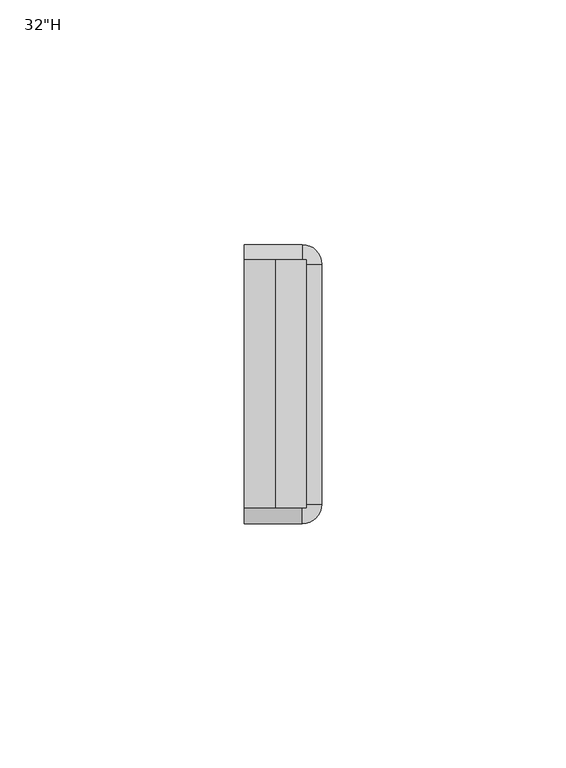
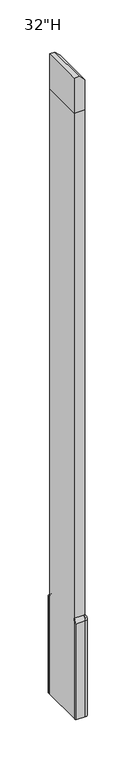
"""IFC4 building model written with IfcOpenShell, lengths in millimetres: furniture geometry."""

from ifc_helpers import new_model, si_unit, point, frame, origin, place, context, project, spatial, polyline, circle_curve, ellipse_curve, trimmed, outline, extrude, source, transform, mapped, element, save
from ifc_brep_helpers import plane_surface, cylinder_surface, revolved_surface, advanced_brep


def furniture_2e6d19cc(model_context):
    return source(origin(), model_context, "Body", "SolidModel", [
        advanced_brep(
        [(1984.8560512, -2420.1637877, 130.97002), (1984.8560512, -2420.1637877, 9.525), (1984.8560512, -2421.7512877, 9.525), (1984.8560512, -2421.7512877, 130.97002), (1984.8560512, -2423.3387877, 134.5628942), (1984.8560512, -2423.3387877, 136.525), (1996.7623012, -2420.1637877, 130.97002), (1996.7623012, -2420.1637877, 9.525), (2000.7310512, -2424.1325377, 9.525), (2000.7310512, -2473.3356635, 9.525), (1996.752927, -2477.3137877, 9.525), (1984.8560512, -2477.3137877, 9.525), (1984.8560512, -2475.7262877, 9.525), (1996.752927, -2475.7262877, 9.525), (1999.1435512, -2473.3356635, 9.525), (1999.1435512, -2424.1325377, 9.525), (1996.7623012, -2421.7512877, 9.525), (1996.7623012, -2421.7512877, 130.97002), (1996.7623012, -2423.3387877, 134.5628942), (1996.7623012, -2423.3387877, 136.525), (2000.7310512, -2424.1325377, 130.97002), (1999.1435512, -2424.1325377, 130.97002), (1997.5560512, -2424.1325377, 134.5628942), (1997.5560512, -2424.1325377, 136.525), (2000.7310512, -2473.3356635, 130.97002), (1999.1435512, -2473.3356635, 130.97002), (1997.5560512, -2473.3356635, 134.5628942), (1997.5560512, -2473.3356635, 136.525), (1996.752927, -2477.3137877, 130.97002), (1996.752927, -2475.7262877, 130.97002), (1996.752927, -2474.1387877, 134.5628942), (1996.752927, -2474.1387877, 136.525), (1984.8560512, -2477.3137877, 130.97002), (1984.8560512, -2474.1387877, 136.525), (1984.8560512, -2474.1387877, 134.5628942), (1984.8560512, -2475.7262877, 130.97002)],
        [
            (0, 1),
            (1, 2),
            (2, 3),
            (3, 4, circle_curve(frame((1984.8560512, -2426.6107842, 130.97002), z_axis=(1.0, 0.0, 0.0), x_axis=(0.0, 1.0, 0.0)), 4.8594965)),
            (4, 5),
            (5, 0, circle_curve(frame((1984.8560512, -2426.6107842, 130.97002), z_axis=(-1.0, 0.0, 0.0), x_axis=(0.0, 1.0, 0.0)), 6.4469965)),
            (0, 6),
            (6, 7),
            (7, 1),
            (7, 8, circle_curve(frame((1996.7623012, -2424.1325377, 9.525), z_axis=(0.0, 0.0, -1.0), x_axis=(0.0, 1.0, 0.0)), 3.96875)),
            (8, 9),
            (9, 10, circle_curve(frame((1996.752927, -2473.3356635, 9.525), z_axis=(0.0, 0.0, -1.0), x_axis=(1.0, 0.0, 0.0)), 3.9781242)),
            (10, 11),
            (11, 12),
            (12, 13),
            (13, 14, circle_curve(frame((1996.752927, -2473.3356635, 9.525), z_axis=(0.0, 0.0, 1.0), x_axis=(1.0, 0.0, 0.0)), 2.3906242)),
            (14, 15),
            (15, 16, circle_curve(frame((1996.7623012, -2424.1325377, 9.525), z_axis=(0.0, 0.0, 1.0), x_axis=(0.0, 1.0, 0.0)), 2.38125)),
            (16, 2),
            (16, 17),
            (17, 3),
            (17, 18, circle_curve(frame((1996.7623012, -2426.6107842, 130.97002), z_axis=(1.0, 0.0, 0.0), x_axis=(0.0, 1.0, 0.0)), 4.8594965)),
            (18, 4),
            (18, 19),
            (19, 5),
            (19, 6, circle_curve(frame((1996.7623012, -2426.6107842, 130.97002), z_axis=(-1.0, 0.0, 0.0), x_axis=(0.0, 1.0, 0.0)), 6.4469965)),
            (6, 20, circle_curve(frame((1996.7623012, -2424.1325377, 130.97002), z_axis=(0.0, 0.0, -1.0), x_axis=(0.0, 1.0, 0.0)), 3.96875)),
            (20, 8),
            (21, 17, circle_curve(frame((1996.7623012, -2424.1325377, 130.97002), z_axis=(0.0, 0.0, 1.0), x_axis=(0.0, 1.0, 0.0)), 2.38125)),
            (15, 21),
            (22, 18, circle_curve(frame((1996.7623012, -2424.1325377, 134.5628942), z_axis=(0.0, 0.0, 1.0), x_axis=(0.0, 1.0, 0.0)), 0.79375)),
            (21, 22, circle_curve(frame((1994.2840547, -2424.1325377, 130.97002), z_axis=(0.0, -1.0, 0.0), x_axis=(1.0, 0.0, 0.0)), 4.8594965)),
            (23, 19, circle_curve(frame((1996.7623012, -2424.1325377, 136.525), z_axis=(0.0, 0.0, 1.0), x_axis=(0.0, 1.0, 0.0)), 0.79375)),
            (22, 23),
            (23, 20, circle_curve(frame((1994.2840547, -2424.1325377, 130.97002), z_axis=(0.0, 1.0, 0.0), x_axis=(1.0, 0.0, 0.0)), 6.4469965)),
            (20, 24),
            (24, 9),
            (14, 25),
            (25, 21),
            (25, 26, circle_curve(frame((1994.2840547, -2473.3356635, 130.97002), z_axis=(0.0, -1.0, 0.0), x_axis=(1.0, 0.0, 0.0)), 4.8594965)),
            (26, 22),
            (26, 27),
            (27, 23),
            (27, 24, circle_curve(frame((1994.2840547, -2473.3356635, 130.97002), z_axis=(0.0, 1.0, 0.0), x_axis=(1.0, 0.0, 0.0)), 6.4469965)),
            (24, 28, circle_curve(frame((1996.752927, -2473.3356635, 130.97002), z_axis=(0.0, 0.0, -1.0), x_axis=(1.0, 0.0, 0.0)), 3.9781242)),
            (28, 10),
            (29, 25, circle_curve(frame((1996.752927, -2473.3356635, 130.97002), z_axis=(0.0, 0.0, 1.0), x_axis=(1.0, 0.0, 0.0)), 2.3906242)),
            (13, 29),
            (30, 26, circle_curve(frame((1996.752927, -2473.3356635, 134.5628942), z_axis=(0.0, 0.0, 1.0), x_axis=(1.0, 0.0, 0.0)), 0.8031242)),
            (29, 30, circle_curve(frame((1996.752927, -2470.8667912, 130.97002), z_axis=(-1.0, 0.0, 0.0), x_axis=(0.0, -1.0, 0.0)), 4.8594965)),
            (31, 27, circle_curve(frame((1996.752927, -2473.3356635, 136.525), z_axis=(0.0, 0.0, 1.0), x_axis=(1.0, 0.0, 0.0)), 0.8031242)),
            (30, 31),
            (31, 28, circle_curve(frame((1996.752927, -2470.8667912, 130.97002), z_axis=(1.0, 0.0, 0.0), x_axis=(0.0, -1.0, 0.0)), 6.4469965)),
            (32, 33, circle_curve(frame((1984.8560512, -2470.8667912, 130.97002), z_axis=(-1.0, 0.0, 0.0), x_axis=(0.0, -1.0, 0.0)), 6.4469965)),
            (33, 34),
            (34, 35, circle_curve(frame((1984.8560512, -2470.8667912, 130.97002), z_axis=(1.0, 0.0, 0.0), x_axis=(0.0, -1.0, 0.0)), 4.8594965)),
            (35, 12),
            (11, 32),
            (28, 32),
            (35, 29),
            (34, 30),
            (33, 31),
        ],
        [
            plane_surface(frame((1984.8560512, -2423.3387877, 0.0), z_axis=(-1.0, 0.0, 0.0), x_axis=(0.0, 0.0, 1.0))),
            plane_surface(frame((1984.8560512, -2420.1637877, 130.97002), z_axis=(0.0, 1.0, 0.0), x_axis=(1.0, 0.0, 0.0))),
            plane_surface(frame((1984.8560512, -2420.1637877, 9.525), z_axis=(0.0, 0.0, -1.0), x_axis=(1.0, 0.0, 0.0))),
            plane_surface(frame((1984.8560512, -2421.7512877, 9.525), z_axis=(0.0, -1.0, 0.0), x_axis=(1.0, 0.0, 0.0))),
            revolved_surface(polyline([(1996.7623012, -2421.7512877, 130.97002), (1984.8560512, -2421.7512877, 130.97002)]), (1984.8560512, -2426.6107842, 130.97002), (1.0, 0.0, 0.0)),
            plane_surface(frame((1984.8560512, -2423.3387877, 134.5628942), z_axis=(0.0, -1.0, 0.0), x_axis=(1.0, 0.0, 0.0))),
            cylinder_surface(frame((1984.8560512, -2426.6107842, 130.97002), z_axis=(-1.0, 0.0, 0.0), x_axis=(0.0, 1.0, 0.0)), 6.4469965),
            cylinder_surface(frame((1996.7623012, -2424.1325377, 0.0), z_axis=(0.0, 0.0, -1.0), x_axis=(0.0, 1.0, 0.0)), 3.96875),
            revolved_surface(polyline([(1996.7623012, -2421.7512877, 9.525), (1996.7623012, -2421.7512877, 130.97002)]), (1996.7623012, -2424.1325377, 0.0), (0.0, 0.0, -1.0)),
            revolved_surface(trimmed(ellipse_curve(frame((1996.7623012, -2426.6107842, 130.97002), z_axis=(1.0, 0.0, 0.0), x_axis=(0.0, 1.0, 0.0)), 4.8594965, 4.8594965), [point((1996.7623012, -2421.7512877, 130.97002))], [point((1996.7623012, -2423.3387877, 134.5628942))], True, "CARTESIAN"), (1996.7623012, -2424.1325377, 0.0), (0.0, 0.0, -1.0)),
            revolved_surface(polyline([(1996.7623012, -2423.3387877, 134.5628942), (1996.7623012, -2423.3387877, 136.525)]), (1996.7623012, -2424.1325377, 0.0), (0.0, 0.0, -1.0)),
            revolved_surface(trimmed(ellipse_curve(frame((1996.7623012, -2426.6107842, 130.97002), z_axis=(-1.0, 0.0, 0.0), x_axis=(0.0, 1.0, 0.0)), 6.4469965, 6.4469965), [point((1996.7623012, -2423.3387877, 136.525))], [point((1996.7623012, -2420.1637877, 130.97002))], True, "CARTESIAN"), (1996.7623012, -2424.1325377, 0.0), (0.0, 0.0, -1.0)),
            plane_surface(frame((2000.7310512, -2424.1325377, 130.97002), z_axis=(1.0, 0.0, 0.0), x_axis=(0.0, -1.0, 0.0))),
            plane_surface(frame((1999.1435512, -2424.1325377, 9.525), z_axis=(-1.0, 0.0, 0.0), x_axis=(0.0, -1.0, 0.0))),
            revolved_surface(polyline([(1999.1435512, -2473.3356635, 130.97002), (1999.1435512, -2424.1325377, 130.97002)]), (1994.2840547, -2424.1325377, 130.97002), (0.0, -1.0, 0.0)),
            plane_surface(frame((1997.5560512, -2424.1325377, 134.5628942), z_axis=(-1.0, 0.0, 0.0), x_axis=(0.0, -1.0, 0.0))),
            cylinder_surface(frame((1994.2840547, -2424.1325377, 130.97002), z_axis=(0.0, 1.0, 0.0), x_axis=(1.0, 0.0, 0.0)), 6.4469965),
            cylinder_surface(frame((1996.752927, -2473.3356635, 0.0), z_axis=(0.0, 0.0, -1.0), x_axis=(1.0, 0.0, 0.0)), 3.9781242),
            revolved_surface(polyline([(1999.1435512, -2473.3356635, 9.525), (1999.1435512, -2473.3356635, 130.97002)]), (1996.752927, -2473.3356635, 0.0), (0.0, 0.0, -1.0)),
            revolved_surface(trimmed(ellipse_curve(frame((1994.2840547, -2473.3356635, 130.97002), z_axis=(0.0, -1.0, 0.0), x_axis=(1.0, 0.0, 0.0)), 4.8594965, 4.8594965), [point((1999.1435512, -2473.3356635, 130.97002))], [point((1997.5560512, -2473.3356635, 134.5628942))], True, "CARTESIAN"), (1996.752927, -2473.3356635, 0.0), (0.0, 0.0, -1.0)),
            revolved_surface(polyline([(1997.5560512, -2473.3356635, 134.5628942), (1997.5560512, -2473.3356635, 136.525)]), (1996.752927, -2473.3356635, 0.0), (0.0, 0.0, -1.0)),
            revolved_surface(trimmed(ellipse_curve(frame((1994.2840547, -2473.3356635, 130.97002), z_axis=(0.0, 1.0, 0.0), x_axis=(1.0, 0.0, 0.0)), 6.4469965, 6.4469965), [point((1997.5560512, -2473.3356635, 136.525))], [point((2000.7310512, -2473.3356635, 130.97002))], True, "CARTESIAN"), (1996.752927, -2473.3356635, 0.0), (0.0, 0.0, -1.0)),
            plane_surface(frame((1984.8560512, -2474.1387877, 0.0), z_axis=(-1.0, 0.0, 0.0), x_axis=(0.0, 0.0, 1.0))),
            plane_surface(frame((1996.752927, -2477.3137877, 130.97002), z_axis=(0.0, -1.0, 0.0), x_axis=(-1.0, 0.0, 0.0))),
            plane_surface(frame((1996.752927, -2475.7262877, 9.525), z_axis=(0.0, 1.0, 0.0), x_axis=(-1.0, 0.0, 0.0))),
            revolved_surface(polyline([(1984.8560512, -2475.7262877000003, 130.97002), (1996.752927, -2475.7262877000003, 130.97002)]), (1996.752927, -2470.8667912, 130.97002), (-1.0, 0.0, 0.0)),
            plane_surface(frame((1996.752927, -2474.1387877, 134.5628942), z_axis=(0.0, 1.0, 0.0), x_axis=(-1.0, 0.0, 0.0))),
            cylinder_surface(frame((1996.752927, -2470.8667912, 130.97002), z_axis=(1.0, 0.0, 0.0), x_axis=(0.0, -1.0, 0.0)), 6.4469965),
        ],
        [
            (0, [[1, 2, 3, 4, 5, 6]]),
            (1, [[-1, 7, 8, 9]]),
            (2, [[-2, -9, 10, 11, 12, 13, 14, 15, 16, 17, 18, 19]]),
            (3, [[-3, -19, 20, 21]]),
            (4, [[-4, -21, 22, 23]]),
            (5, [[-5, -23, 24, 25]]),
            (6, [[-6, -25, 26, -7]]),
            (7, [[-10, -8, 27, 28]]),
            (8, [[29, -20, -18, 30]]),
            (9, [[31, -22, -29, 32]]),
            (10, [[33, -24, -31, 34]]),
            (11, [[-27, -26, -33, 35]]),
            (12, [[-28, 36, 37, -11]]),
            (13, [[-30, -17, 38, 39]]),
            (14, [[-32, -39, 40, 41]]),
            (15, [[-34, -41, 42, 43]]),
            (16, [[-35, -43, 44, -36]]),
            (17, [[-12, -37, 45, 46]]),
            (18, [[47, -38, -16, 48]]),
            (19, [[49, -40, -47, 50]]),
            (20, [[51, -42, -49, 52]]),
            (21, [[-45, -44, -51, 53]]),
            (22, [[54, 55, 56, 57, -14, 58]]),
            (23, [[-46, 59, -58, -13]]),
            (24, [[-48, -15, -57, 60]]),
            (25, [[-50, -60, -56, 61]]),
            (26, [[-52, -61, -55, 62]]),
            (27, [[-53, -62, -54, -59]]),
        ],
    ),
        extrude(outline(polyline([(777.875, 1984.8560512), (777.875, 1997.5560512), (815.975, 1997.5560512), (822.325, 1991.2060512), (822.325, 1984.8560512), (777.875, 1984.8560512)])), frame((0.0, -2474.1387877, 0.0), z_axis=(0.0, 1.0, 0.0), x_axis=(0.0, 0.0, 1.0)), (0.0, 0.0, 1.0), 50.8),
        extrude(outline(polyline([(1984.8560512, -2474.1387877), (1984.8560512, -2423.3387877), (1997.5560512, -2423.3387877), (1997.5560512, -2474.1387877), (1984.8560512, -2474.1387877)])), frame((0.0, 0.0, 9.525), z_axis=(0.0, 0.0, 1.0), x_axis=(1.0, 0.0, 0.0)), (0.0, 0.0, 1.0), 768.35),
    ])


if __name__ == "__main__":
    model = new_model("IFC4")
    model_context = context("Model", 3, world=origin())
    ifc_project = project(units=[si_unit("LENGTHUNIT", "METRE", prefix="MILLI")], contexts=[model_context])
    site = spatial("IfcSite", under=ifc_project)
    building = spatial("IfcBuilding", under=site)
    placement = place(None, origin())
    furniture_shape = furniture_2e6d19cc(model_context)
    element("IfcFurniture", 1, ObjectType="32\"H", at=placement, inside=building, context=model_context, shape_type="MappedRepresentation", body=[
        mapped(furniture_shape, transform((0.0, 0.0, 0.0), x_axis=(1.0, 0.0, 0.0), y_axis=(0.0, 1.0, 0.0), z_axis=(0.0, 0.0, 1.0))),
    ])
    save(model, "model.ifc")
